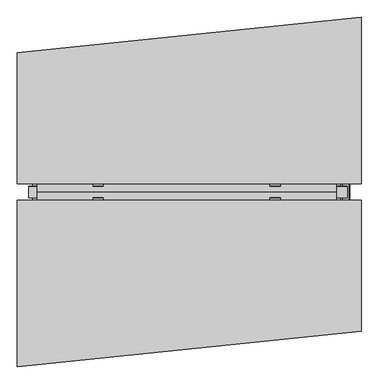
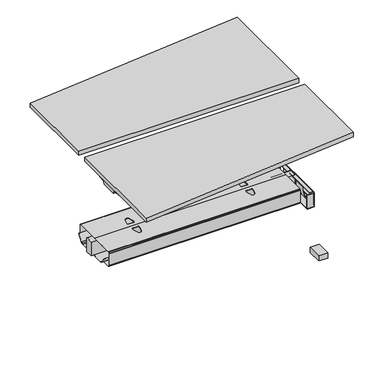
"""IFC4 building model written with IfcOpenShell, lengths in millimetres: furniture geometry."""

from ifc_helpers import new_model, si_unit, point, frame, frame_2d, origin, place, context, project, spatial, polyline, circle_curve, ellipse_curve, trimmed, segment, composite_curve, outline, extrude, faceted_brep, source, transform, mapped, element, save
from ifc_brep_helpers import plane_surface, cylinder_surface, revolved_surface, advanced_brep


def furniture_b8cb9486(model_context):
    return source(origin(), model_context, "Body", "SolidModel", [
        extrude(outline(polyline([(692.4505912, 639.3704277), (692.4505912, 627.2010571), (647.4824058, 627.2010571), (647.4824058, 639.3704277), (692.4505912, 639.3704277)])), frame((0.0, 0.0, 329.7517063), z_axis=(0.0, 0.0, 1.0), x_axis=(1.0, 0.0, 0.0)), (0.0, 0.0, 1.0), 2.6568509),
        extrude(outline(polyline([(666.5324058, 557.0887375), (647.4824058, 592.5319047), (647.4824058, 639.3704277), (692.4505912, 639.3704277), (692.4505912, 627.4425925), (666.5324058, 627.4425925), (666.5324058, 557.0887375)])), frame((0.0, 0.0, 428.6948675), z_axis=(0.0, 0.0, 1.0), x_axis=(1.0, 0.0, 0.0)), (0.0, 0.0, 1.0), 2.6568509),
        extrude(outline(polyline([(692.4505912, 170.9160479), (692.4505912, 158.9882127), (647.4824058, 158.9882127), (647.4824058, 170.9160479), (692.4505912, 170.9160479)])), frame((0.0, 0.0, 329.7517063), z_axis=(0.0, 0.0, 1.0), x_axis=(1.0, 0.0, 0.0)), (0.0, 0.0, 1.0), 2.6568509),
        extrude(outline(polyline([(692.4505912, 165.0842069), (692.4505912, 158.9882127), (647.4824058, 158.9882127), (647.4824058, 165.0842069), (692.4505912, 165.0842069)])), frame((0.0, 0.0, 332.4085572), z_axis=(0.0, 0.0, 1.0), x_axis=(1.0, 0.0, 0.0)), (0.0, 0.0, 1.0), 96.2863103),
        extrude(outline(polyline([(666.5324058, 241.2699029), (666.5324058, 170.9160479), (692.4505912, 170.9160479), (692.4505912, 158.9882127), (647.4824058, 158.9882127), (647.4824058, 205.8267357), (666.5324058, 241.2699029)])), frame((0.0, 0.0, 428.6948675), z_axis=(0.0, 0.0, 1.0), x_axis=(1.0, 0.0, 0.0)), (0.0, 0.0, 1.0), 2.6568509),
        extrude(outline(composite_curve([segment(polyline([(692.5018643, 165.0842069), (647.4824058, 165.0842069), (647.4824058, 167.7418174), (692.4320682, 167.7418174)]), True, "CONTINUOUS"), segment(trimmed(circle_curve(frame_2d((692.5019303, 170.9160843)), 3.1750357), [point((692.4320682, 167.7418174))], [point((695.676966, 170.9160479))], True, "CARTESIAN"), True, "CONTINUOUS"), segment(polyline([(695.676966, 170.9160479), (698.3337054, 170.9160479)]), True, "CONTINUOUS"), segment(trimmed(circle_curve(frame_2d((692.5018643, 170.9160479)), 5.8318411), [point((698.3337054, 170.9160479))], [point((692.5018643, 165.0842069))], False, "CARTESIAN"), True, "CONTINUOUS")], self_intersect=False)), frame((0.0, 0.0, 337.371699), z_axis=(0.0, 0.0, 1.0), x_axis=(1.0, 0.0, 0.0)), (0.0, 0.0, 1.0), 87.8941627),
        extrude(outline(polyline([(342.9173325, 425.2658616), (337.0354481, 421.6463878), (337.0354481, 416.1853839), (341.0613469, 412.1594669), (457.0505017, 412.1594669), (461.0764369, 416.1853839), (461.0764369, 421.6463878), (454.0472738, 425.9718869), (627.4425766, 425.9718869), (627.4425766, 333.9274688), (170.9160479, 333.9274688), (170.9160479, 425.2658616), (342.9173325, 425.2658616)]), holes=[polyline([(233.9635599, 355.1517184), (235.6650368, 348.8017063), (240.3135539, 344.1531891), (246.663566, 342.4517305), (265.713566, 342.4517305), (272.0635599, 344.1531891), (276.7120862, 348.8017063), (278.413563, 355.1517184), (278.413563, 393.2517184), (276.7120862, 399.6017305), (272.0635599, 404.2502476), (265.713566, 405.9517063), (246.663566, 405.9517063), (240.3135539, 404.2502476), (235.6650368, 399.6017305), (233.9635599, 393.2517184), (233.9635599, 355.1517184)]), polyline([(424.4559432, 341.1336423), (424.4559432, 392.426696), (423.9200452, 394.4267193), (422.4559432, 395.8908015), (420.4559432, 396.4267063), (377.6345424, 396.4267063), (375.6345441, 395.8908015), (374.1704415, 394.4267193), (373.6345435, 392.426696), (373.6345435, 341.1336423), (374.1704415, 339.1336554), (375.6345441, 337.6695369), (377.6345424, 337.1336321), (420.4559432, 337.1336321), (422.4559432, 337.6695369), (423.9200452, 339.1336554), (424.4559432, 341.1336423)]), polyline([(564.1483295, 355.1517184), (564.1483295, 393.2517184), (562.4468527, 399.6017305), (557.7983356, 404.2502476), (551.4483235, 405.9517063), (532.3983235, 405.9517063), (526.0483295, 404.2502476), (521.3998033, 399.6017305), (519.6983265, 393.2517184), (519.6983265, 355.1517184), (521.3998033, 348.8017063), (526.0483295, 344.1531891), (532.3983235, 342.4517305), (551.4483235, 342.4517305), (557.7983356, 344.1531891), (562.4468527, 348.8017063), (564.1483295, 355.1517184)])]), frame((692.4505912, 0.0, 0.0), z_axis=(1.0, 0.0, 0.0), x_axis=(0.0, 1.0, 0.0)), (0.0, 0.0, 1.0), 3.2262996),
        faceted_brep([(638.3400259, 227.963817, 425.8310036), (638.3400259, 227.963817, 340.2751793), (638.3400259, 227.963817, 338.091367), (638.3400259, 228.9762009, 334.3130557), (638.3400259, 231.7467258, 331.542549), (638.3400259, 235.531324, 330.5284757), (638.3400259, 398.8377457, 330.5284757), (638.3400259, 562.8273164, 330.5284757), (638.3400259, 566.6119146, 331.542549), (638.3400259, 569.3824396, 334.3130557), (638.3400259, 570.3948234, 338.091367), (638.3400259, 570.3948234, 340.2751793), (638.3400259, 570.3948234, 425.8310036), (638.3400259, 569.4215919, 429.4631947), (638.3400259, 566.6102252, 432.3861267), (638.3400259, 562.825627, 433.4002), (638.3400259, 397.785447, 433.4002), (638.3400259, 235.5330134, 433.4002), (638.3400259, 231.7484152, 432.3861267), (638.3400259, 228.9370485, 429.4631947), (638.3400259, 235.5330134, 432.1810157), (638.3400259, 396.9389352, 432.1810157), (638.3400259, 562.825627, 432.1810157), (638.3400259, 566.000633, 431.3302682), (638.3400259, 568.3248916, 429.0059915), (638.3400259, 569.1756391, 425.8310036), (638.3400259, 569.1756391, 340.2751793), (638.3400259, 569.1756391, 338.0914349), (638.3400259, 568.326581, 334.9226842), (638.3400259, 566.0023225, 332.5984075), (638.3400259, 562.8273164, 331.74766), (638.3400259, 397.7786116, 331.74766), (638.3400259, 235.531324, 331.74766), (638.3400259, 232.3563179, 332.5984075), (638.3400259, 230.0320594, 334.9226842), (638.3400259, 229.1830013, 338.0914349), (638.3400259, 229.1830013, 340.2751793), (638.3400259, 229.1830013, 425.8310036), (638.3400259, 230.0337488, 429.0059915), (638.3400259, 232.3580074, 431.3302682), (-660.9408985, 227.963817, 425.8310036), (-660.9408985, 228.9370485, 429.4631947), (-660.9408985, 231.7484152, 432.3861267), (-660.9408985, 235.5330134, 433.4002), (-660.9408985, 397.785447, 433.4002), (-660.9408985, 562.825627, 433.4002), (-660.9408985, 566.6102252, 432.3861267), (-660.9408985, 569.4215919, 429.4631947), (-660.9408985, 570.3948234, 425.8310036), (-660.9408985, 570.3948234, 340.2751793), (-660.9408985, 570.3948234, 338.091367), (-660.9408985, 569.3824396, 334.3130557), (-660.9408985, 566.6119146, 331.542549), (-660.9408985, 562.8273164, 330.5284757), (-660.9408985, 398.8377457, 330.5284757), (-660.9408985, 235.531324, 330.5284757), (-660.9408985, 231.7467258, 331.542549), (-660.9408985, 228.9762009, 334.3130557), (-660.9408985, 227.963817, 338.091367), (-660.9408985, 227.963817, 340.2751793), (-660.9408985, 235.5330134, 432.1810157), (-660.9408985, 232.3580074, 431.3302682), (-660.9408985, 230.0337488, 429.0059915), (-660.9408985, 229.1830013, 425.8310036), (-660.9408985, 229.1830013, 340.2751793), (-660.9408985, 229.1830013, 338.0914349), (-660.9408985, 230.0320594, 334.9226842), (-660.9408985, 232.3563179, 332.5984075), (-660.9408985, 235.531324, 331.74766), (-660.9408985, 397.7786116, 331.74766), (-660.9408985, 562.8273164, 331.74766), (-660.9408985, 566.0023225, 332.5984075), (-660.9408985, 568.326581, 334.9226842), (-660.9408985, 569.1756391, 338.0914349), (-660.9408985, 569.1756391, 340.2751793), (-660.9408985, 569.1756391, 425.8310036), (-660.9408985, 568.3248916, 429.0059915), (-660.9408985, 566.000633, 431.3302682), (-660.9408985, 562.825627, 432.1810157), (-660.9408985, 396.9389352, 432.1810157), (-419.4047758, 360.9565261, 432.1810157), (-410.7451218, 328.5218157, 432.1810157), (-408.3303984, 323.3434246, 432.1810157), (-403.8899754, 319.7476409, 432.1810157), (-398.3226676, 318.4623267, 432.1810157), (-396.036917, 318.4623267, 432.1810157), (-390.4696093, 319.7476409, 432.1810157), (-386.0291863, 323.3434246, 432.1810157), (-383.6144421, 328.5218604, 432.1810157), (-374.9548, 360.9565261, 432.1810157), (-374.9548, 373.6565253, 432.1810157), (-419.4047758, 373.6565253, 432.1810157), (395.1587307, 360.9565261, 432.1810157), (395.1587307, 373.6565253, 432.1810157), (350.7087549, 373.6565253, 432.1810157), (350.7087549, 360.9565261, 432.1810157), (359.368397, 328.5218604, 432.1810157), (361.7831412, 323.3434246, 432.1810157), (366.2235642, 319.7476409, 432.1810157), (371.790872, 318.4623267, 432.1810157), (374.0766226, 318.4623267, 432.1810157), (379.6439303, 319.7476409, 432.1810157), (384.0843533, 323.3434246, 432.1810157), (386.4990767, 328.5218157, 432.1810157), (-410.7451218, 328.5218157, 433.4002), (-419.4047758, 360.9565261, 433.4002), (-419.4047758, 373.6565253, 433.4002), (-374.9548, 373.6565253, 433.4002), (-374.9548, 360.9565261, 433.4002), (-383.6144421, 328.5218604, 433.4002), (-386.0291863, 323.3434246, 433.4002), (-390.4696093, 319.7476409, 433.4002), (-396.036917, 318.4623267, 433.4002), (-398.3226676, 318.4623267, 433.4002), (-403.8899754, 319.7476409, 433.4002), (-408.3303984, 323.3434246, 433.4002), (395.1587307, 373.6565253, 433.4002), (395.1587307, 360.9565261, 433.4002), (386.4990767, 328.5218157, 433.4002), (384.0843533, 323.3434246, 433.4002), (379.6439303, 319.7476409, 433.4002), (374.0766226, 318.4623267, 433.4002), (371.790872, 318.4623267, 433.4002), (366.2235642, 319.7476409, 433.4002), (361.7831412, 323.3434246, 433.4002), (359.368397, 328.5218604, 433.4002), (350.7087549, 360.9565261, 433.4002), (350.7087549, 373.6565253, 433.4002), (-419.4047758, 424.7021151, 433.4002), (-419.4047758, 437.4021143, 433.4002), (-410.7451218, 469.8368247, 433.4002), (-408.3303984, 475.0152158, 433.4002), (-403.8899754, 478.6109995, 433.4002), (-398.3226676, 479.8963137, 433.4002), (-396.036917, 479.8963137, 433.4002), (-390.4696093, 478.6109995, 433.4002), (-386.0291863, 475.0152158, 433.4002), (-383.6144421, 469.83678, 433.4002), (-374.9548, 437.4021143, 433.4002), (-374.9548, 424.7021151, 433.4002), (386.4990767, 469.8368247, 433.4002), (395.1587307, 437.4021143, 433.4002), (395.1587307, 424.7021151, 433.4002), (350.7087549, 424.7021151, 433.4002), (350.7087549, 437.4021143, 433.4002), (359.368397, 469.83678, 433.4002), (361.7831412, 475.0152158, 433.4002), (366.2235642, 478.6109995, 433.4002), (371.790872, 479.8963137, 433.4002), (374.0766226, 479.8963137, 433.4002), (379.6439303, 478.6109995, 433.4002), (384.0843533, 475.0152158, 433.4002), (-419.4047758, 437.4021143, 432.1810157), (-419.4047758, 424.7021151, 432.1810157), (-374.9548, 424.7021151, 432.1810157), (-374.9548, 437.4021143, 432.1810157), (-383.6144421, 469.83678, 432.1810157), (-386.0291863, 475.0152158, 432.1810157), (-390.4696093, 478.6109995, 432.1810157), (-396.036917, 479.8963137, 432.1810157), (-398.3226676, 479.8963137, 432.1810157), (-403.8899754, 478.6109995, 432.1810157), (-408.3303984, 475.0152158, 432.1810157), (-410.7451218, 469.8368247, 432.1810157), (395.1587307, 437.4021143, 432.1810157), (386.4990767, 469.8368247, 432.1810157), (384.0843533, 475.0152158, 432.1810157), (379.6439303, 478.6109995, 432.1810157), (374.0766226, 479.8963137, 432.1810157), (371.790872, 479.8963137, 432.1810157), (366.2235642, 478.6109995, 432.1810157), (361.7831412, 475.0152158, 432.1810157), (359.368397, 469.83678, 432.1810157), (350.7087549, 437.4021143, 432.1810157), (350.7087549, 424.7021151, 432.1810157), (395.1587307, 424.7021151, 432.1810157)], [[[0, 1, 2, 3, 4, 5, 6, 7, 8, 9, 10, 11, 12, 13, 14, 15, 16, 17, 18, 19], [20, 21, 22, 23, 24, 25, 26, 27, 28, 29, 30, 31, 32, 33, 34, 35, 36, 37, 38, 39]], [[40, 41, 42, 43, 44, 45, 46, 47, 48, 49, 50, 51, 52, 53, 54, 55, 56, 57, 58, 59], [60, 61, 62, 63, 64, 65, 66, 67, 68, 69, 70, 71, 72, 73, 74, 75, 76, 77, 78, 79]], [[37, 36, 64, 63]], [[38, 37, 63, 62]], [[39, 38, 62, 61]], [[20, 39, 61, 60]], [[21, 20, 60, 79], [80, 81, 82, 83, 84, 85, 86, 87, 88, 89, 90, 91], [92, 93, 94, 95, 96, 97, 98, 99, 100, 101, 102, 103]], [[17, 16, 44, 43], [104, 105, 106, 107, 108, 109, 110, 111, 112, 113, 114, 115], [116, 117, 118, 119, 120, 121, 122, 123, 124, 125, 126, 127]], [[18, 17, 43, 42]], [[19, 18, 42, 41]], [[0, 19, 41, 40]], [[1, 0, 40, 59]], [[2, 1, 59, 58]], [[3, 2, 58, 57]], [[4, 3, 57, 56]], [[5, 4, 56, 55]], [[6, 5, 55, 54]], [[7, 6, 54, 53]], [[8, 7, 53, 52]], [[9, 8, 52, 51]], [[10, 9, 51, 50]], [[11, 10, 50, 49]], [[12, 11, 49, 48]], [[13, 12, 48, 47]], [[14, 13, 47, 46]], [[15, 14, 46, 45]], [[16, 15, 45, 44], [128, 129, 130, 131, 132, 133, 134, 135, 136, 137, 138, 139], [140, 141, 142, 143, 144, 145, 146, 147, 148, 149, 150, 151]], [[22, 21, 79, 78], [152, 153, 154, 155, 156, 157, 158, 159, 160, 161, 162, 163], [164, 165, 166, 167, 168, 169, 170, 171, 172, 173, 174, 175]], [[23, 22, 78, 77]], [[24, 23, 77, 76]], [[25, 24, 76, 75]], [[26, 25, 75, 74]], [[27, 26, 74, 73]], [[28, 27, 73, 72]], [[29, 28, 72, 71]], [[30, 29, 71, 70]], [[31, 30, 70, 69]], [[32, 31, 69, 68]], [[33, 32, 68, 67]], [[34, 33, 67, 66]], [[35, 34, 66, 65]], [[36, 35, 65, 64]], [[80, 105, 104, 81]], [[81, 104, 115, 82]], [[82, 115, 114, 83]], [[83, 114, 113, 84]], [[84, 113, 112, 85]], [[85, 112, 111, 86]], [[86, 111, 110, 87]], [[87, 110, 109, 88]], [[88, 109, 108, 89]], [[89, 108, 107, 90]], [[90, 107, 106, 91]], [[105, 80, 91, 106]], [[92, 117, 116, 93]], [[93, 116, 127, 94]], [[94, 127, 126, 95]], [[95, 126, 125, 96]], [[96, 125, 124, 97]], [[97, 124, 123, 98]], [[98, 123, 122, 99]], [[99, 122, 121, 100]], [[100, 121, 120, 101]], [[101, 120, 119, 102]], [[102, 119, 118, 103]], [[117, 92, 103, 118]], [[152, 129, 128, 153]], [[153, 128, 139, 154]], [[154, 139, 138, 155]], [[155, 138, 137, 156]], [[156, 137, 136, 157]], [[157, 136, 135, 158]], [[158, 135, 134, 159]], [[159, 134, 133, 160]], [[160, 133, 132, 161]], [[161, 132, 131, 162]], [[162, 131, 130, 163]], [[129, 152, 163, 130]], [[164, 141, 140, 165]], [[165, 140, 151, 166]], [[166, 151, 150, 167]], [[167, 150, 149, 168]], [[168, 149, 148, 169]], [[169, 148, 147, 170]], [[170, 147, 146, 171]], [[171, 146, 145, 172]], [[172, 145, 144, 173]], [[173, 144, 143, 174]], [[174, 143, 142, 175]], [[141, 164, 175, 142]]]),
        extrude(outline(composite_curve([segment(trimmed(circle_curve(frame_2d((422.8428694, 431.8444538)), 1.5557462), [point((422.8428694, 433.4002))], [point((424.3986156, 431.8444538))], False, "CARTESIAN"), True, "CONTINUOUS"), segment(polyline([(424.3986156, 431.8444538), (424.3986156, 333.9274688), (374.3606156, 333.9274688), (374.3606156, 433.4002), (422.8428694, 433.4002)]), True, "CONTINUOUS")], self_intersect=False)), frame((-698.3783882, 0.0, 0.0), z_axis=(1.0, 0.0, 0.0), x_axis=(0.0, 1.0, 0.0)), (0.0, 0.0, 1.0), 1384.4789923),
        extrude(outline(composite_curve([segment(polyline([(431.3517184, 692.4505912), (431.3517184, 666.5324058), (428.6948675, 666.5324058), (428.6948675, 692.2062975)]), True, "CONTINUOUS"), segment(trimmed(circle_curve(frame_2d((425.2452738, 692.2062975)), 3.4495937), [point((428.6948675, 692.2062975))], [point((425.2658616, 695.6558297))], True, "CARTESIAN"), True, "CONTINUOUS"), segment(polyline([(425.2658616, 695.6558297), (425.2658616, 698.2823549)]), True, "CONTINUOUS"), segment(trimmed(circle_curve(frame_2d((425.1720964, 692.093112)), 6.1899531), [point((425.2658616, 698.2823549))], [point((431.3517184, 692.4505912))], False, "CARTESIAN"), True, "CONTINUOUS")], self_intersect=False)), frame((0.0, 170.9160479, 0.0), z_axis=(0.0, 1.0, 0.0), x_axis=(0.0, 0.0, 1.0)), (0.0, 0.0, 1.0), 468.4543798),
        extrude(outline(composite_curve([segment(trimmed(circle_curve(frame_2d((691.6017284, 627.2010571)), 5.8318411), [point((691.6017284, 633.0328981))], [point((697.4335695, 627.2010571))], False, "CARTESIAN"), True, "CONTINUOUS"), segment(polyline([(697.4335695, 627.2010571), (694.7768301, 627.2010571)]), True, "CONTINUOUS"), segment(trimmed(circle_curve(frame_2d((691.6017944, 627.2010206)), 3.1750357), [point((694.7768301, 627.2010571))], [point((691.5319323, 630.3752876))], True, "CARTESIAN"), True, "CONTINUOUS"), segment(polyline([(691.5319323, 630.3752876), (647.4824058, 630.3752876), (647.4824058, 633.0328981), (691.6017284, 633.0328981)]), True, "CONTINUOUS")], self_intersect=False)), frame((0.0, 0.0, 337.371699), z_axis=(0.0, 0.0, 1.0), x_axis=(1.0, 0.0, 0.0)), (0.0, 0.0, 1.0), 87.8941627),
        extrude(outline(composite_curve([segment(trimmed(circle_curve(frame_2d((335.5834916, 692.5019564)), 3.1749345), [point((335.5835451, 695.6768908))], [point((332.4090868, 692.443965))], True, "CARTESIAN"), True, "CONTINUOUS"), segment(polyline([(332.4090868, 692.443965), (332.4090868, 647.4824058), (329.7517063, 647.4824058), (329.7517063, 692.5017915)]), True, "CONTINUOUS"), segment(trimmed(circle_curve(frame_2d((335.5835451, 692.5017915)), 5.8318388), [point((329.7517063, 692.5017915))], [point((335.5835451, 698.3336303))], False, "CARTESIAN"), True, "CONTINUOUS"), segment(polyline([(335.5835451, 698.3336303), (335.5835451, 695.6768908)]), True, "CONTINUOUS")], self_intersect=False)), frame((0.0, 170.9160479, 0.0), z_axis=(0.0, 1.0, 0.0), x_axis=(0.0, 0.0, 1.0)), (0.0, 0.0, 1.0), 456.2850092),
        extrude(outline(polyline([(247.9512827, 383.2085327), (249.1812376, 384.0998213), (279.7035642, 341.9798116), (286.6253346, 336.0569173), (295.8489895, 333.9274688), (417.8747239, 333.9274688), (502.5096509, 333.9274688), (511.7333058, 336.0569173), (518.6550762, 341.9798116), (549.1774028, 384.0998213), (550.4073577, 383.2085327), (519.8850248, 341.0885143), (512.423716, 334.7039476), (502.7693005, 332.4750501), (402.1125576, 332.4750501), (295.5893399, 332.4750501), (285.9349244, 334.7039476), (278.4736156, 341.0885143), (247.9512827, 383.2085327)])), frame((-681.3524342, 0.0, 0.0), z_axis=(1.0, 0.0, 0.0), x_axis=(0.0, 1.0, 0.0)), (0.0, 0.0, 1.0), 1338.4018538),
        extrude(outline(polyline([(747.776, 434.1875871), (-747.776, 434.1875871), (-747.776, 1004.9255871), (747.776, 1157.3256446), (747.776, 434.1875871)])), frame((0.0, 0.0, 1037.209), z_axis=(0.0, 0.0, 1.0), x_axis=(1.0, 0.0, 0.0)), (0.0, 0.0, 1.0), 29.591),
        advanced_brep(
        [(696.976, 127.2221653, 10.2361894), (696.976, 141.2419153, 10.2361894), (696.976, 140.8547401, 8.7946116), (696.976, 127.6093405, 8.7946116), (696.976, 134.2320403, 10.2361894), (696.976, 113.2751519, 0.0), (696.976, 155.1889286, 0.0), (696.976, 134.2320403, 0.0), (696.976, 111.7314216, 1.5436985), (696.976, 156.732659, 1.5436985), (696.976, 111.7314763, 4.1072626), (696.976, 156.7326043, 4.1072626), (696.976, 113.2713167, 5.9174378), (696.976, 155.1927639, 5.9174378)],
        [
            (0, 1, circle_curve(frame((696.976, 134.2320403, 10.2361894), z_axis=(0.0, 0.0, -1.0), x_axis=(0.0, 1.0, 0.0)), 7.009875)),
            (1, 2),
            (2, 3, circle_curve(frame((696.976, 134.2320403, 8.7946116), z_axis=(0.0, 0.0, 1.0), x_axis=(0.0, 1.0, 0.0)), 6.6226998)),
            (3, 0),
            (1, 0, circle_curve(frame((696.976, 134.2320403, 10.2361894), z_axis=(0.0, 0.0, -1.0), x_axis=(0.0, 1.0, 0.0)), 7.009875)),
            (3, 2, circle_curve(frame((696.976, 134.2320403, 8.7946116), z_axis=(0.0, 0.0, 1.0), x_axis=(0.0, 1.0, 0.0)), 6.6226998)),
            (4, 1),
            (0, 4),
            (5, 6, circle_curve(frame((696.976, 134.2320403, 0.0), z_axis=(0.0, 0.0, -1.0), x_axis=(0.0, 1.0, 0.0)), 20.9568884)),
            (6, 7),
            (7, 5),
            (6, 5, circle_curve(frame((696.976, 134.2320403, 0.0), z_axis=(0.0, 0.0, -1.0), x_axis=(0.0, 1.0, 0.0)), 20.9568884)),
            (8, 9, circle_curve(frame((696.976, 134.2320403, 1.5436985), z_axis=(0.0, 0.0, -1.0), x_axis=(0.0, 1.0, 0.0)), 22.5006187)),
            (9, 6),
            (5, 8),
            (9, 8, circle_curve(frame((696.976, 134.2320403, 1.5436985), z_axis=(0.0, 0.0, -1.0), x_axis=(0.0, 1.0, 0.0)), 22.5006187)),
            (10, 11, circle_curve(frame((696.976, 134.2320403, 4.1072626), z_axis=(0.0, 0.0, -1.0), x_axis=(0.0, 1.0, 0.0)), 22.500564)),
            (11, 9),
            (8, 10),
            (11, 10, circle_curve(frame((696.976, 134.2320403, 4.1072626), z_axis=(0.0, 0.0, -1.0), x_axis=(0.0, 1.0, 0.0)), 22.500564)),
            (12, 13, circle_curve(frame((696.976, 134.2320403, 5.9174378), z_axis=(0.0, 0.0, -1.0), x_axis=(0.0, 1.0, 0.0)), 20.9607236)),
            (13, 11),
            (10, 12),
            (13, 12, circle_curve(frame((696.976, 134.2320403, 5.9174378), z_axis=(0.0, 0.0, -1.0), x_axis=(0.0, 1.0, 0.0)), 20.9607236)),
            (2, 13),
            (12, 3),
        ],
        [
            revolved_surface(polyline([(696.976, 140.8547401, 8.7946116), (696.976, 141.2419153, 10.2361894)]), (696.976, 134.2320403, 0.0), (0.0, 0.0, 1.0)),
            plane_surface(frame((696.976, 134.2320403, 10.2361894), z_axis=(0.0, 0.0, 1.0), x_axis=(0.0, 1.0, 0.0))),
            plane_surface(frame((696.976, 134.2320403, 0.0), z_axis=(0.0, 0.0, -1.0), x_axis=(0.0, 1.0, 0.0))),
            revolved_surface(polyline([(696.976, 155.1889286, 0.0), (696.976, 156.732659, 1.5436985)]), (696.976, 134.2320403, 0.0), (0.0, 0.0, 1.0)),
            cylinder_surface(frame((696.976, 134.2320403, 0.0), z_axis=(0.0, 0.0, 1.0), x_axis=(0.0, 1.0, 0.0)), 22.500564),
            revolved_surface(polyline([(696.976, 156.7327498, 4.1072626), (696.976, 155.1927639, 5.9174378)]), (696.976, 134.2320403, 0.0), (0.0, 0.0, 1.0)),
            revolved_surface(polyline([(696.976, 155.1927639, 5.9174378), (696.976, 140.8547401, 8.7946116)]), (696.976, 134.2320403, 0.0), (0.0, 0.0, 1.0)),
        ],
        [
            (0, [[1, 2, 3, 4]]),
            (0, [[5, -4, 6, -2]]),
            (1, [[7, -1, 8]]),
            (1, [[-8, -5, -7]]),
            (2, [[9, 10, 11]]),
            (2, [[12, -11, -10]]),
            (3, [[13, 14, -9, 15]]),
            (3, [[16, -15, -12, -14]]),
            (4, [[17, 18, -13, 19]]),
            (4, [[20, -19, -16, -18]]),
            (5, [[21, 22, -17, 23]]),
            (5, [[24, -23, -20, -22]]),
            (6, [[-3, 25, -21, 26]]),
            (6, [[-6, -26, -24, -25]]),
        ],
    ),
        extrude(outline(polyline([(667.0675, 59.6052169), (667.0675, 158.9882127), (726.8845, 158.9882127), (726.8845, 59.6052169), (667.0675, 59.6052169)])), frame((0.0, 0.0, 10.2361894), z_axis=(0.0, 0.0, 1.0), x_axis=(1.0, 0.0, 0.0)), (0.0, 0.0, 1.0), 37.8638679),
        extrude(outline(polyline([(747.776, 364.3376128), (747.776, -206.4003872), (-747.776, -358.8004151), (-747.776, 364.3376128), (747.776, 364.3376128)])), frame((0.0, 0.0, 1037.209), z_axis=(0.0, 0.0, 1.0), x_axis=(1.0, 0.0, 0.0)), (0.0, 0.0, 1.0), 29.591),
        advanced_brep(
        [(-731.4406297, 162.7292702, 988.7915733), (-565.7122138, 162.7292702, 988.7915733), (-580.0924181, 160.5008169, 986.1442785), (-728.9518591, 160.5008169, 986.1442785), (-731.6625278, 162.738256, 989.0276054), (-734.0619089, 163.3822827, 1005.9443054), (-551.2773962, 163.3822827, 1005.9443054), (-551.2773962, 163.0342965, 996.8037253), (-554.1075093, 162.9531058, 994.6710821), (-554.2501644, 162.8754397, 992.6310191), (-734.9185362, 168.8493181, 1011.9839076), (-551.2773962, 168.8493181, 1011.9839076), (-737.4393767, 283.4205225, 1029.7569507), (-673.2243442, 283.4205225, 1029.7569507), (-551.2773962, 202.6158, 1017.2219877), (-737.5128152, 287.1965275, 1030.2747243), (-678.9229255, 287.1965275, 1030.2747243), (-738.1871296, 288.7067839, 1035.0289399), (-736.4021288, 286.1298888, 1037.209), (-677.3132011, 286.1298888, 1037.209), (-738.1871296, -70.2667839, 1035.0289399), (-737.5128152, -68.7565275, 1030.2747243), (-678.9229255, -68.7565275, 1030.2747243), (-677.3132011, -67.6898888, 1037.209), (-736.4021288, -67.6898888, 1037.209), (-737.4393767, -64.9805225, 1029.7569507), (-673.2243442, -64.9805225, 1029.7569507), (-734.9185362, 49.5906819, 1011.9839076), (-551.2773962, 49.5906819, 1011.9839076), (-551.2773962, 15.8242, 1017.2219877), (-734.0619089, 55.0577173, 1005.9443054), (-551.2773962, 55.0577173, 1005.9443054), (-731.6625278, 55.701744, 989.0276054), (-731.4406297, 55.7107298, 988.7915733), (-565.7122138, 55.7107298, 988.7915733), (-554.2501644, 55.5645603, 992.6310191), (-554.1075093, 55.4868942, 994.6710821), (-551.2773962, 55.4057035, 996.8037253), (-728.9518591, 57.9391831, 986.1442785), (-580.0924181, 57.9391831, 986.1442785), (-551.2773962, 15.8242, 1037.209), (-551.2773962, 202.6158, 1037.209)],
        [
            (0, 1),
            (1, 2, ellipse_curve(frame((-589.9936465, 239.7670009, 1080.3086722), z_axis=(0.0, 0.7650318638532662, -0.6439924279750482), x_axis=(0.0, 0.6439924279750482, 0.7650318638532662)), 123.7641411, 94.6835116)),
            (2, 3),
            (3, 0),
            (0, 4),
            (4, 5),
            (5, 6),
            (6, 7),
            (7, 8),
            (8, 9),
            (9, 1, ellipse_curve(frame((-589.9936465, 166.2133686, 1080.3086722), z_axis=(0.0, 0.999276106683639, -0.03804290487316255), x_axis=(0.0, 0.03804290487316397, 0.999276106683639)), 94.752102, 94.6835116)),
            (5, 10, ellipse_curve(frame((-734.0119691, 169.8408409, 1005.5922075), z_axis=(-0.9900906714849619, 0.0, -0.1404295632637843), x_axis=(-0.1404295632637846, 0.0, 0.9900906714849619)), 6.5328852, 6.4681487)),
            (10, 11),
            (11, 6, circle_curve(frame((-551.2773962, 169.8408409, 1005.5922075), z_axis=(1.0, 0.0, 0.0), x_axis=(0.0, 1.0, 0.0)), 6.4681487)),
            (10, 12),
            (12, 13),
            (13, 14),
            (14, 11),
            (12, 15),
            (15, 16),
            (16, 13),
            (15, 17, ellipse_curve(frame((-737.9730772, 285.2194111, 1033.5197755), z_axis=(0.9900906714849619, 0.0, 0.1404295632637843), x_axis=(0.1404295632637846, 0.0, -0.9900906714849619)), 3.8379455, 3.7999141)),
            (17, 18, ellipse_curve(frame((-739.422811, 285.2194111, 1033.5197755), z_axis=(0.7737284588432124, 0.0, -0.6335173809581766), x_axis=(0.6335173809581766, 0.0, 0.7737284588432124)), 4.9111727, 3.7999141)),
            (18, 19),
            (19, 16, ellipse_curve(frame((-675.939148, 285.2194111, 1033.5197755), z_axis=(-0.5523637579768881, -0.833603190297188, 0.0), x_axis=(0.833603190297188, -0.5523637579768881, 0.0)), 6.8793689, 3.7999141)),
            (20, 21, ellipse_curve(frame((-737.9730772, -66.7794111, 1033.5197755), z_axis=(0.9900906714849619, 0.0, 0.1404295632637843), x_axis=(0.1404295632637846, 0.0, -0.9900906714849619)), 3.8379455, 3.7999141)),
            (21, 22),
            (22, 23, ellipse_curve(frame((-675.939148, -66.7794111, 1033.5197755), z_axis=(-0.5523637579749648, 0.8336031902984624, 0.0), x_axis=(0.8336031902984624, 0.5523637579749648, 0.0)), 6.8793689, 3.7999141)),
            (23, 24),
            (24, 20, ellipse_curve(frame((-739.422811, -66.7794111, 1033.5197755), z_axis=(0.7737284588432124, 0.0, -0.6335173809581766), x_axis=(0.6335173809581766, 0.0, 0.7737284588432124)), 4.9111727, 3.7999141)),
            (21, 25),
            (25, 26),
            (26, 22),
            (27, 28),
            (28, 29),
            (29, 26),
            (25, 27),
            (27, 30, ellipse_curve(frame((-734.0119691, 48.5991591, 1005.5922075), z_axis=(-0.9900906714849619, 0.0, -0.1404295632637843), x_axis=(-0.1404295632637846, 0.0, 0.9900906714849619)), 6.5328852, 6.4681487)),
            (30, 31),
            (31, 28, circle_curve(frame((-551.2773962, 48.5991591, 1005.5922075), z_axis=(1.0, 0.0, 0.0), x_axis=(0.0, 1.0, 0.0)), 6.4681487)),
            (30, 32),
            (32, 33),
            (33, 34),
            (34, 35, ellipse_curve(frame((-589.9936465, 52.2266314, 1080.3086722), z_axis=(0.0, -0.9992761066836363, -0.03804290487323539), x_axis=(0.0, 0.03804290487323121, -0.9992761066836364)), 94.752102, 94.6835116)),
            (35, 36),
            (36, 37),
            (37, 31),
            (33, 38),
            (38, 39),
            (39, 34, ellipse_curve(frame((-589.9936465, -21.3270009, 1080.3086722), z_axis=(0.0, -0.7650318638534733, -0.643992427974802), x_axis=(0.0, 0.643992427974802, -0.7650318638534732)), 123.7641411, 94.6835116)),
            (4, 32),
            (20, 17),
            (24, 18),
            (23, 40),
            (40, 41),
            (41, 19),
            (37, 7),
            (14, 41),
            (40, 29),
            (36, 8),
            (35, 9),
            (39, 2),
            (38, 3),
        ],
        [
            plane_surface(frame((-754.4773962, 160.5008169, 986.1442785), z_axis=(0.0, 0.7650318638532662, -0.6439924279750482), x_axis=(1.0, 0.0, 0.0))),
            plane_surface(frame((-754.4773962, 162.7292702, 988.7915733), z_axis=(0.0, 0.999276106683639, -0.03804290487316255), x_axis=(1.0, 0.0, 0.0))),
            revolved_surface(polyline([(-734.9293793154884, 176.3089896, 1005.5922075), (-551.2773962, 176.3089896, 1005.5922075)]), (-754.4773962, 169.8408409, 1005.5922075), (-1.0, 0.0, 0.0)),
            plane_surface(frame((-754.4773962, 168.8493181, 1011.9839076), z_axis=(0.0, 0.153293135871396, -0.9881807600306302), x_axis=(1.0, 0.0, 0.0))),
            plane_surface(frame((-754.4773962, 283.4205225, 1029.7569507), z_axis=(0.0, 0.13585085469026903, -0.9907292996979162), x_axis=(1.0, 0.0, 0.0))),
            cylinder_surface(frame((-754.4773962, 285.2194111, 1033.5197755), z_axis=(1.0, 0.0, 0.0), x_axis=(0.0, 1.0, 0.0)), 3.7999141),
            cylinder_surface(frame((-754.4773962, -66.7794111, 1033.5197755), z_axis=(1.0, 0.0, 0.0), x_axis=(0.0, 1.0, 0.0)), 3.7999141),
            plane_surface(frame((-754.4773962, -68.7565275, 1030.2747243), z_axis=(0.0, -0.13585085468791205, -0.9907292996982394), x_axis=(1.0, 0.0, 0.0))),
            plane_surface(frame((-754.4773962, -64.9805225, 1029.7569507), z_axis=(0.0, -0.1532931358714066, -0.9881807600306285), x_axis=(1.0, 0.0, 0.0))),
            revolved_surface(polyline([(-734.9293793154884, 55.0673078, 1005.5922075), (-551.2773962, 55.0673078, 1005.5922075)]), (-754.4773962, 48.5991591, 1005.5922075), (-1.0, 0.0, 0.0)),
            plane_surface(frame((-754.4773962, 55.0577173, 1005.9443054), z_axis=(0.0, -0.9992761066836363, -0.03804290487323539), x_axis=(1.0, 0.0, 0.0))),
            plane_surface(frame((-754.4773962, 55.7107298, 988.7915733), z_axis=(0.0, -0.7650318638534733, -0.643992427974802), x_axis=(1.0, 0.0, 0.0))),
            plane_surface(frame((-731.6625278, 299.72, 989.0276054), z_axis=(-0.9900906714849619, 0.0, -0.1404295632637843), x_axis=(0.0, -1.0, 0.0))),
            plane_surface(frame((-738.1871296, 299.72, 1035.0289399), z_axis=(-0.7737284588432124, 0.0, 0.6335173809581766), x_axis=(0.0, -1.0, 0.0))),
            plane_surface(frame((-736.4021288, 299.72, 1037.209), z_axis=(0.0, 0.0, 1.0), x_axis=(0.0, -1.0, 0.0))),
            plane_surface(frame((-551.2773962, 299.72, 1037.209), z_axis=(1.0, 0.0, 0.0), x_axis=(0.0, -1.0, 0.0))),
            plane_surface(frame((-551.2773962, 299.72, 996.8037253), z_axis=(0.6018150231516275, 0.0, -0.7986355100476099), x_axis=(0.0, -1.0, 0.0))),
            plane_surface(frame((-554.1075093, 299.72, 994.6710821), z_axis=(0.9975640502599642, 0.0, -0.06975647374212507), x_axis=(0.0, -1.0, 0.0))),
            cylinder_surface(frame((-589.9936465, 299.72, 1080.3086722), z_axis=(0.0, 1.0, 0.0), x_axis=(1.0, 0.0, 0.0)), 94.6835116),
            plane_surface(frame((-580.0924181, 299.72, 986.1442785), z_axis=(0.0, 0.0, -1.0), x_axis=(0.0, -1.0, 0.0))),
            plane_surface(frame((-728.9518591, 299.72, 986.1442785), z_axis=(-0.7285846064197382, 0.0, -0.684955817033621), x_axis=(0.0, -1.0, 0.0))),
            plane_surface(frame((-697.8228017, 299.72, 1037.209), z_axis=(0.5523637579768881, 0.833603190297188, 0.0), x_axis=(0.0, 0.0, -1.0))),
            plane_surface(frame((-551.2773962, 15.8242, 1037.209), z_axis=(0.5523637579749648, -0.8336031902984624, 0.0), x_axis=(0.0, 0.0, -1.0))),
        ],
        [
            (0, [[1, 2, 3, 4]]),
            (1, [[-1, 5, 6, 7, 8, 9, 10, 11]]),
            (2, [[-7, 12, 13, 14]]),
            (3, [[-13, 15, 16, 17, 18]]),
            (4, [[19, 20, 21, -16]]),
            (5, [[22, 23, 24, 25, -20]]),
            (6, [[26, 27, 28, 29, 30]]),
            (7, [[31, 32, 33, -27]]),
            (8, [[34, 35, 36, -32, 37]]),
            (9, [[-34, 38, 39, 40]]),
            (10, [[-39, 41, 42, 43, 44, 45, 46, 47]]),
            (11, [[-43, 48, 49, 50]]),
            (12, [[51, -41, -38, -37, -31, -26, 52, -22, -19, -15, -12, -6]]),
            (13, [[-52, -30, 53, -23]]),
            (14, [[-53, -29, 54, 55, 56, -24]]),
            (15, [[57, -8, -14, -18, 58, -55, 59, -35, -40, -47]]),
            (16, [[-57, -46, 60, -9]]),
            (17, [[-60, -45, 61, -10]]),
            (18, [[-61, -44, -50, 62, -2, -11]]),
            (19, [[-62, -49, 63, -3]]),
            (20, [[-51, -5, -4, -63, -48, -42]]),
            (21, [[-56, -58, -17, -21, -25]]),
            (22, [[-54, -28, -33, -36, -59]]),
        ],
    ),
        advanced_brep(
        [(565.7122138, 162.7292702, 988.7915733), (731.4406297, 162.7292702, 988.7915733), (728.9518591, 160.5008169, 986.1442785), (580.0924181, 160.5008169, 986.1442785), (554.2501644, 162.8754397, 992.6310191), (554.1075093, 162.9531058, 994.6710821), (551.4619573, 163.0290018, 996.6646485), (551.4619573, 163.3822827, 1005.9443054), (734.0619089, 163.3822827, 1005.9443054), (731.6625278, 162.738256, 989.0276054), (551.4619573, 168.8493181, 1011.9839076), (734.9185362, 168.8493181, 1011.9839076), (551.4619573, 202.6089953, 1017.2209321), (673.2570453, 283.4205225, 1029.7569507), (737.4393767, 283.4205225, 1029.7569507), (737.5128152, 287.1965275, 1030.2747243), (678.9480509, 287.1965275, 1030.2747243), (738.1871296, 288.7067839, 1035.0289399), (677.3404665, 286.1298888, 1037.209), (736.4021288, 286.1298888, 1037.209), (737.5128152, -68.7565275, 1030.2747243), (738.1871296, -70.2667839, 1035.0289399), (736.4021288, -67.6898888, 1037.209), (677.3404665, -67.6898888, 1037.209), (678.9480509, -68.7565275, 1030.2747243), (737.4393767, -64.9805225, 1029.7569507), (673.2570453, -64.9805225, 1029.7569507), (551.4619573, 49.5906819, 1011.9839076), (734.9185362, 49.5906819, 1011.9839076), (551.4619573, 15.8310047, 1017.2209321), (551.4619573, 55.0577173, 1005.9443054), (734.0619089, 55.0577173, 1005.9443054), (551.4619573, 55.4109982, 996.6646485), (554.1075093, 55.4868942, 994.6710821), (554.2501644, 55.5645603, 992.6310191), (565.7122138, 55.7107298, 988.7915733), (731.4406297, 55.7107298, 988.7915733), (731.6625278, 55.701744, 989.0276054), (580.0924181, 57.9391831, 986.1442785), (728.9518591, 57.9391831, 986.1442785), (551.4619573, 202.6089953, 1037.209), (551.4619573, 15.8310047, 1037.209)],
        [
            (0, 1),
            (1, 2),
            (2, 3),
            (3, 0, ellipse_curve(frame((589.9936465, 239.7670009, 1080.3086722), z_axis=(0.0, 0.7650318638532565, -0.6439924279750596), x_axis=(0.0, -0.6439924279750596, -0.7650318638532564)), 123.7641411, 94.6835116)),
            (0, 4, ellipse_curve(frame((589.9936465, 166.2133686, 1080.3086722), z_axis=(0.0, 0.9992761066836392, -0.03804290487315862), x_axis=(0.0, -0.03804290487315623, -0.9992761066836393)), 94.752102, 94.6835116)),
            (4, 5),
            (5, 6),
            (6, 7),
            (7, 8),
            (8, 9),
            (9, 1),
            (7, 10, circle_curve(frame((551.4619573, 169.8408409, 1005.5922075), z_axis=(-1.0, 0.0, 0.0), x_axis=(0.0, 1.0, 0.0)), 6.4681487)),
            (10, 11),
            (11, 8, ellipse_curve(frame((734.0119691, 169.8408409, 1005.5922075), z_axis=(0.9900906714849659, 0.0, -0.1404295632637567), x_axis=(-0.1404295632637562, 0.0, -0.9900906714849659)), 6.5328852, 6.4681487)),
            (10, 12),
            (12, 13),
            (13, 14),
            (14, 11),
            (15, 14),
            (13, 16),
            (16, 15),
            (17, 15, ellipse_curve(frame((737.9730772, 285.2194111, 1033.5197755), z_axis=(-0.9900906714849659, 0.0, 0.1404295632637567), x_axis=(0.1404295632637562, 0.0, 0.9900906714849659)), 3.8379455, 3.7999141)),
            (16, 18, ellipse_curve(frame((675.96824, 285.2194111, 1033.5197755), z_axis=(0.5528743936294658, -0.8332646067539714, 0.0), x_axis=(0.8332646067539713, 0.5528743936294658, 0.0)), 6.8730151, 3.7999141)),
            (18, 19),
            (19, 17, ellipse_curve(frame((739.422811, 285.2194111, 1033.5197755), z_axis=(-0.7737284588399557, 0.0, -0.633517380962154), x_axis=(0.6335173809621538, 0.0, -0.7737284588399556)), 4.9111727, 3.7999141)),
            (20, 21, ellipse_curve(frame((737.9730772, -66.7794111, 1033.5197755), z_axis=(-0.9900906714849659, 0.0, 0.1404295632637567), x_axis=(0.1404295632637562, 0.0, 0.9900906714849659)), 3.8379455, 3.7999141)),
            (21, 22, ellipse_curve(frame((739.422811, -66.7794111, 1033.5197755), z_axis=(-0.7737284588399557, 0.0, -0.633517380962154), x_axis=(0.6335173809621538, 0.0, -0.7737284588399556)), 4.9111727, 3.7999141)),
            (22, 23),
            (23, 24, ellipse_curve(frame((675.96824, -66.7794111, 1033.5197755), z_axis=(0.5528743936294437, 0.8332646067539861, 0.0), x_axis=(0.833264606753986, -0.5528743936294437, 0.0)), 6.8730151, 3.7999141)),
            (24, 20),
            (25, 20),
            (24, 26),
            (26, 25),
            (27, 28),
            (28, 25),
            (26, 29),
            (29, 27),
            (27, 30, circle_curve(frame((551.4619573, 48.5991591, 1005.5922075), z_axis=(-1.0, 0.0, 0.0), x_axis=(0.0, 1.0, 0.0)), 6.4681487)),
            (30, 31),
            (31, 28, ellipse_curve(frame((734.0119691, 48.5991591, 1005.5922075), z_axis=(0.9900906714849659, 0.0, -0.1404295632637567), x_axis=(-0.1404295632637562, 0.0, -0.9900906714849659)), 6.5328852, 6.4681487)),
            (30, 32),
            (32, 33),
            (33, 34),
            (34, 35, ellipse_curve(frame((589.9936465, 52.2266314, 1080.3086722), z_axis=(0.0, -0.9992761066836363, -0.03804290487323539), x_axis=(0.0, -0.03804290487323121, 0.9992761066836364)), 94.752102, 94.6835116)),
            (35, 36),
            (36, 37),
            (37, 31),
            (35, 38, ellipse_curve(frame((589.9936465, -21.3270009, 1080.3086722), z_axis=(0.0, -0.7650318638534733, -0.643992427974802), x_axis=(0.0, -0.643992427974802, 0.7650318638534732)), 123.7641411, 94.6835116)),
            (38, 39),
            (39, 36),
            (37, 9),
            (17, 21),
            (19, 22),
            (18, 40),
            (40, 41),
            (41, 23),
            (6, 32),
            (29, 41),
            (40, 12),
            (5, 33),
            (4, 34),
            (3, 38),
            (2, 39),
        ],
        [
            plane_surface(frame((551.4619573, 160.5008169, 986.1442785), z_axis=(0.0, 0.7650318638532565, -0.6439924279750596), x_axis=(1.0, 0.0, 0.0))),
            plane_surface(frame((551.4619573, 162.7292702, 988.7915733), z_axis=(0.0, 0.9992761066836392, -0.03804290487315862), x_axis=(1.0, 0.0, 0.0))),
            revolved_surface(polyline([(551.4619573, 176.3089896, 1005.5922075), (734.9293793154882, 176.3089896, 1005.5922075)]), (551.4619573, 169.8408409, 1005.5922075), (-1.0, 0.0, 0.0)),
            plane_surface(frame((551.4619573, 168.8493181, 1011.9839076), z_axis=(0.0, 0.15329313587140309, -0.988180760030629), x_axis=(1.0, 0.0, 0.0))),
            plane_surface(frame((551.4619573, 283.4205225, 1029.7569507), z_axis=(0.0, 0.1358508546900816, -0.9907292996979419), x_axis=(1.0, 0.0, 0.0))),
            cylinder_surface(frame((551.4619573, 285.2194111, 1033.5197755), z_axis=(1.0, 0.0, 0.0), x_axis=(0.0, 1.0, 0.0)), 3.7999141),
            cylinder_surface(frame((551.4619573, -66.7794111, 1033.5197755), z_axis=(1.0, 0.0, 0.0), x_axis=(0.0, 1.0, 0.0)), 3.7999141),
            plane_surface(frame((551.4619573, -68.7565275, 1030.2747243), z_axis=(0.0, -0.1358508546877776, -0.9907292996982578), x_axis=(1.0, 0.0, 0.0))),
            plane_surface(frame((551.4619573, -64.9805225, 1029.7569507), z_axis=(0.0, -0.15329313587141113, -0.9881807600306277), x_axis=(1.0, 0.0, 0.0))),
            revolved_surface(polyline([(551.4619573, 55.0673078, 1005.5922075), (734.9293793154882, 55.0673078, 1005.5922075)]), (551.4619573, 48.5991591, 1005.5922075), (-1.0, 0.0, 0.0)),
            plane_surface(frame((551.4619573, 55.0577173, 1005.9443054), z_axis=(0.0, -0.9992761066836363, -0.03804290487323539), x_axis=(1.0, 0.0, 0.0))),
            plane_surface(frame((551.4619573, 55.7107298, 988.7915733), z_axis=(0.0, -0.7650318638534733, -0.643992427974802), x_axis=(1.0, 0.0, 0.0))),
            plane_surface(frame((731.6625278, -81.28, 989.0276054), z_axis=(0.9900906714849659, 0.0, -0.1404295632637567), x_axis=(0.0, 1.0, 0.0))),
            plane_surface(frame((738.1871296, -81.28, 1035.0289399), z_axis=(0.7737284588399557, 0.0, 0.633517380962154), x_axis=(0.0, 1.0, 0.0))),
            plane_surface(frame((736.4021288, -81.28, 1037.209), z_axis=(0.0, 0.0, 1.0), x_axis=(0.0, 1.0, 0.0))),
            plane_surface(frame((551.4619573, -81.28, 1037.209), z_axis=(-1.0, 0.0, 0.0), x_axis=(0.0, 1.0, 0.0))),
            plane_surface(frame((551.4619573, -81.28, 996.6646485), z_axis=(-0.6018150231540728, 0.0, -0.7986355100457674), x_axis=(0.0, 1.0, 0.0))),
            plane_surface(frame((554.1075093, -81.28, 994.6710821), z_axis=(-0.9975640502598242, 0.0, -0.06975647374412697), x_axis=(0.0, 1.0, 0.0))),
            cylinder_surface(frame((589.9936465, -81.28, 1080.3086722), z_axis=(0.0, -1.0, 0.0), x_axis=(-1.0, 0.0, 0.0)), 94.6835116),
            plane_surface(frame((580.0924181, -81.28, 986.1442785), z_axis=(0.0, 0.0, -1.0), x_axis=(0.0, 1.0, 0.0))),
            plane_surface(frame((728.9518591, -81.28, 986.1442785), z_axis=(0.7285846064222696, 0.0, -0.6849558170309284), x_axis=(0.0, 1.0, 0.0))),
            plane_surface(frame((551.4619573, 202.6089953, 1037.209), z_axis=(-0.5528743936294658, 0.8332646067539714, 0.0), x_axis=(0.0, 0.0, -1.0))),
            plane_surface(frame((697.8228017, -81.28, 1037.209), z_axis=(-0.5528743936294437, -0.8332646067539861, 0.0), x_axis=(0.0, 0.0, -1.0))),
        ],
        [
            (0, [[1, 2, 3, 4]]),
            (1, [[-1, 5, 6, 7, 8, 9, 10, 11]]),
            (2, [[-9, 12, 13, 14]]),
            (3, [[-13, 15, 16, 17, 18]]),
            (4, [[19, -17, 20, 21]]),
            (5, [[22, -21, 23, 24, 25]]),
            (6, [[26, 27, 28, 29, 30]]),
            (7, [[31, -30, 32, 33]]),
            (8, [[34, 35, -33, 36, 37]]),
            (9, [[-34, 38, 39, 40]]),
            (10, [[-39, 41, 42, 43, 44, 45, 46, 47]]),
            (11, [[-45, 48, 49, 50]]),
            (12, [[51, -10, -14, -18, -19, -22, 52, -26, -31, -35, -40, -47]]),
            (13, [[-52, -25, 53, -27]]),
            (14, [[-53, -24, 54, 55, 56, -28]]),
            (15, [[57, -41, -38, -37, 58, -55, 59, -15, -12, -8]]),
            (16, [[-57, -7, 60, -42]]),
            (17, [[-60, -6, 61, -43]]),
            (18, [[-61, -5, -4, 62, -48, -44]]),
            (19, [[-62, -3, 63, -49]]),
            (20, [[-51, -46, -50, -63, -2, -11]]),
            (21, [[-54, -23, -20, -16, -59]]),
            (22, [[-56, -58, -36, -32, -29]]),
        ],
    ),
        advanced_brep(
        [(-551.2773962, 187.9031697, 1031.9794894), (-551.2773962, 189.6675242, 1034.2075511), (-551.2773962, 200.6481225, 1034.2075511), (-551.2773962, 201.3782919, 1031.6093085), (-551.2773962, 179.9519108, 1002.0462148), (-551.2773962, 162.5510914, 993.4452863), (-551.2773962, 55.7632156, 993.4452863), (-551.2773962, 38.1354217, 1002.4997482), (-551.2773962, 16.8007138, 1032.2706054), (-551.2773962, 18.4392766, 1034.3266572), (-551.2773962, 28.6544098, 1034.3266572), (-551.2773962, 30.5253848, 1031.9794894), (-551.2773962, 29.7841637, 1031.4423822), (-551.2773962, 28.2139363, 1033.4122572), (-551.2773962, 18.5353238, 1033.4122572), (-551.2773962, 17.7294351, 1032.5444366), (-551.2773962, 38.8786744, 1003.0323858), (-551.2773962, 55.7632156, 994.3598536), (-551.2773962, 162.5510914, 994.3596863), (-551.2773962, 179.21844, 1002.5923713), (-551.2773962, 200.5721627, 1032.0552144), (-551.2773962, 200.3148942, 1033.2931511), (-551.2773962, 190.109809, 1033.2931511), (-551.2773962, 188.6442719, 1031.4424419), (551.4619573, 187.9031697, 1031.9794894), (551.4619573, 188.6442719, 1031.4424419), (551.4619573, 190.109809, 1033.2931511), (551.4619573, 200.3148942, 1033.2931511), (551.4619573, 200.5721627, 1032.0552144), (551.4619573, 179.21844, 1002.5923713), (551.4619573, 162.5510914, 994.3596863), (551.4619573, 55.7632155, 994.3596863), (551.4619573, 38.8786744, 1003.0323858), (551.4619573, 17.7294351, 1032.5444366), (551.4619573, 18.5353238, 1033.4122572), (551.4619573, 28.2139363, 1033.4122572), (551.4619573, 29.7841637, 1031.4423822), (551.4619573, 30.5253848, 1031.9794894), (551.4619573, 28.6544098, 1034.3266572), (551.4619573, 18.4392766, 1034.3266572), (551.4619573, 16.8007138, 1032.2706054), (551.4619573, 38.1354217, 1002.4997482), (551.4619573, 55.7632156, 993.4454536), (551.4619573, 162.5510914, 993.4452863), (551.4619573, 179.9519108, 1002.0462148), (551.4619573, 201.3782919, 1031.6093085), (551.4619573, 200.6481225, 1034.2075511), (551.4619573, 189.6675242, 1034.2075511)],
        [
            (0, 1),
            (1, 2),
            (2, 3, circle_curve(frame((-551.2773962, 199.4305576, 1032.4636667), z_axis=(-1.0, 0.0, 0.0), x_axis=(0.0, 1.0, 0.0)), 2.1268749)),
            (3, 4),
            (4, 5, circle_curve(frame((-551.2773962, 162.5510914, 1015.3478336), z_axis=(-1.0, 0.0, 0.0), x_axis=(0.0, 1.0, 0.0)), 21.9025472)),
            (5, 6),
            (6, 7, circle_curve(frame((-551.2773962, 55.7632156, 1015.132365), z_axis=(-1.0, 0.0, 0.0), x_axis=(0.0, 1.0, 0.0)), 21.6869114)),
            (7, 8),
            (8, 9, circle_curve(frame((-551.2773962, 18.8010635, 1032.3573833), z_axis=(-1.0, 0.0, 0.0), x_axis=(0.0, 1.0, 0.0)), 2.0022311)),
            (9, 10),
            (10, 11),
            (11, 12),
            (12, 13),
            (13, 14),
            (14, 15, circle_curve(frame((-551.2773962, 18.8010635, 1032.3573833), z_axis=(1.0, 0.0, 0.0), x_axis=(0.0, 1.0, 0.0)), 1.0878311)),
            (15, 16),
            (16, 17, circle_curve(frame((-551.2773962, 55.7632156, 1015.132365), z_axis=(1.0, 0.0, 0.0), x_axis=(0.0, 1.0, 0.0)), 20.7725114)),
            (17, 18),
            (18, 19, circle_curve(frame((-551.2773962, 162.5510914, 1015.3478336), z_axis=(1.0, 0.0, 0.0), x_axis=(0.0, 1.0, 0.0)), 20.9881473)),
            (19, 20),
            (20, 21, circle_curve(frame((-551.2773962, 199.4305576, 1032.4636667), z_axis=(1.0, 0.0, 0.0), x_axis=(0.0, 1.0, 0.0)), 1.2124749)),
            (21, 22),
            (22, 23),
            (23, 0),
            (24, 25),
            (25, 26),
            (26, 27),
            (27, 28, circle_curve(frame((551.4619573, 199.4305576, 1032.4636667), z_axis=(-1.0, 0.0, 0.0), x_axis=(0.0, 1.0, 0.0)), 1.2124749)),
            (28, 29),
            (29, 30, circle_curve(frame((551.4619573, 162.5510914, 1015.3478336), z_axis=(-1.0, 0.0, 0.0), x_axis=(0.0, 1.0, 0.0)), 20.9881473)),
            (30, 31),
            (31, 32, circle_curve(frame((551.4619573, 55.7632156, 1015.132365), z_axis=(-1.0, 0.0, 0.0), x_axis=(0.0, 1.0, 0.0)), 20.7725114)),
            (32, 33),
            (33, 34, circle_curve(frame((551.4619573, 18.8010635, 1032.3573833), z_axis=(-1.0, 0.0, 0.0), x_axis=(0.0, 1.0, 0.0)), 1.0878311)),
            (34, 35),
            (35, 36),
            (36, 37),
            (37, 38),
            (38, 39),
            (39, 40, circle_curve(frame((551.4619573, 18.8010635, 1032.3573833), z_axis=(1.0, 0.0, 0.0), x_axis=(0.0, 1.0, 0.0)), 2.0022311)),
            (40, 41),
            (41, 42, circle_curve(frame((551.4619573, 55.7632156, 1015.132365), z_axis=(1.0, 0.0, 0.0), x_axis=(0.0, 1.0, 0.0)), 21.6869114)),
            (42, 43),
            (43, 44, circle_curve(frame((551.4619573, 162.5510914, 1015.3478336), z_axis=(1.0, 0.0, 0.0), x_axis=(0.0, 1.0, 0.0)), 21.9025472)),
            (44, 45),
            (45, 46, circle_curve(frame((551.4619573, 199.4305576, 1032.4636667), z_axis=(1.0, 0.0, 0.0), x_axis=(0.0, 1.0, 0.0)), 2.1268749)),
            (46, 47),
            (47, 24),
            (0, 24),
            (47, 1),
            (46, 2),
            (45, 3),
            (44, 4),
            (43, 5),
            (42, 6),
            (41, 7),
            (40, 8),
            (39, 9),
            (38, 10),
            (37, 11),
            (36, 12),
            (35, 13),
            (34, 14),
            (33, 15),
            (32, 16),
            (31, 17),
            (30, 18),
            (29, 19),
            (28, 20),
            (27, 21),
            (26, 22),
            (25, 23),
        ],
        [
            plane_surface(frame((-551.2773962, 109.22, 1037.209), z_axis=(-1.0, 0.0, 0.0), x_axis=(0.0, 0.0, 1.0))),
            plane_surface(frame((551.4619573, 109.22, 1037.209), z_axis=(1.0, 0.0, 0.0), x_axis=(0.0, 0.0, 1.0))),
            plane_surface(frame((-551.2773962, 187.9031697, 1031.9794894), z_axis=(0.0, -0.7839649337165058, 0.6208051084703434), x_axis=(1.0, 0.0, 0.0))),
            plane_surface(frame((-551.2773962, 189.6675242, 1034.2075511), z_axis=(0.0, 0.0, 1.0), x_axis=(1.0, 0.0, 0.0))),
            cylinder_surface(frame((-551.2773962, 199.4305576, 1032.4636667), z_axis=(-1.0, 0.0, 0.0), x_axis=(0.0, 1.0, 0.0)), 2.1268749),
            plane_surface(frame((-551.2773962, 201.3782919, 1031.6093085), z_axis=(0.0, 0.8096997445281038, -0.586844377762217), x_axis=(1.0, 0.0, 0.0))),
            cylinder_surface(frame((-551.2773962, 162.5510914, 1015.3478336), z_axis=(-1.0, 0.0, 0.0), x_axis=(0.0, 1.0, 0.0)), 21.9025472),
            plane_surface(frame((-551.2773962, 162.5510914, 993.4452863), z_axis=(0.0, 0.0, -1.0), x_axis=(1.0, 0.0, 0.0))),
            cylinder_surface(frame((-551.2773962, 55.7632156, 1015.132365), z_axis=(-1.0, 0.0, 0.0), x_axis=(0.0, 1.0, 0.0)), 21.6869114),
            plane_surface(frame((-551.2773962, 38.1354217, 1002.4997482), z_axis=(0.0, -0.8128309997561537, -0.5824995844079305), x_axis=(1.0, 0.0, 0.0))),
            cylinder_surface(frame((-551.2773962, 18.8010635, 1032.3573833), z_axis=(-1.0, 0.0, 0.0), x_axis=(0.0, 1.0, 0.0)), 2.0022311),
            plane_surface(frame((-551.2773962, 18.4392766, 1034.3266572), z_axis=(0.0, 0.0, 1.0), x_axis=(1.0, 0.0, 0.0))),
            plane_surface(frame((-551.2773962, 28.6544098, 1034.3266572), z_axis=(0.0, 0.7819660587237972, 0.6233210112004657), x_axis=(1.0, 0.0, 0.0))),
            plane_surface(frame((-551.2773962, 30.5253848, 1031.9794894), z_axis=(0.0, 0.5867684336468096, -0.8097547809526473), x_axis=(1.0, 0.0, 0.0))),
            plane_surface(frame((-551.2773962, 29.7841637, 1031.4423822), z_axis=(0.0, -0.7819660587239206, -0.6233210112003109), x_axis=(1.0, 0.0, 0.0))),
            plane_surface(frame((-551.2773962, 28.2139363, 1033.4122572), z_axis=(0.0, 0.0, -1.0), x_axis=(1.0, 0.0, 0.0))),
            revolved_surface(polyline([(551.4619573000001, 19.8888946, 1032.3573833), (-551.2773962, 19.8888946, 1032.3573833)]), (-551.2773962, 18.8010635, 1032.3573833), (1.0, 0.0, 0.0)),
            plane_surface(frame((-551.2773962, 17.7294351, 1032.5444366), z_axis=(0.0, 0.8128309996716102, 0.582499584525904), x_axis=(1.0, 0.0, 0.0))),
            revolved_surface(polyline([(551.4619573000001, 76.53572700000001, 1015.132365), (-551.2773962, 76.53572700000001, 1015.132365)]), (-551.2773962, 55.7632156, 1015.132365), (1.0, 0.0, 0.0)),
            plane_surface(frame((-551.2773962, 55.7632155, 994.3596863), z_axis=(0.0, 0.0, 1.0), x_axis=(1.0, 0.0, 0.0))),
            revolved_surface(polyline([(551.4619573000001, 183.5392387, 1015.3478336), (-551.2773962, 183.5392387, 1015.3478336)]), (-551.2773962, 162.5510914, 1015.3478336), (1.0, 0.0, 0.0)),
            plane_surface(frame((-551.2773962, 179.21844, 1002.5923713), z_axis=(0.0, -0.8096997449536107, 0.5868443771751228), x_axis=(1.0, 0.0, 0.0))),
            revolved_surface(polyline([(551.4619573000001, 200.64303249999998, 1032.4636667), (-551.2773962, 200.64303249999998, 1032.4636667)]), (-551.2773962, 199.4305576, 1032.4636667), (1.0, 0.0, 0.0)),
            plane_surface(frame((-551.2773962, 200.3148942, 1033.2931511), z_axis=(0.0, 0.0, -1.0), x_axis=(1.0, 0.0, 0.0))),
            plane_surface(frame((-551.2773962, 190.109809, 1033.2931511), z_axis=(0.0, 0.7839649337164979, -0.6208051084703533), x_axis=(1.0, 0.0, 0.0))),
            plane_surface(frame((-551.2773962, 188.6442719, 1031.4424419), z_axis=(0.0, -0.5867873637752554, -0.8097410633737715), x_axis=(1.0, 0.0, 0.0))),
        ],
        [
            (0, [[1, 2, 3, 4, 5, 6, 7, 8, 9, 10, 11, 12, 13, 14, 15, 16, 17, 18, 19, 20, 21, 22, 23, 24]]),
            (1, [[25, 26, 27, 28, 29, 30, 31, 32, 33, 34, 35, 36, 37, 38, 39, 40, 41, 42, 43, 44, 45, 46, 47, 48]]),
            (2, [[-1, 49, -48, 50]]),
            (3, [[-2, -50, -47, 51]]),
            (4, [[-3, -51, -46, 52]]),
            (5, [[-4, -52, -45, 53]]),
            (6, [[-5, -53, -44, 54]]),
            (7, [[-6, -54, -43, 55]]),
            (8, [[-7, -55, -42, 56]]),
            (9, [[-8, -56, -41, 57]]),
            (10, [[-9, -57, -40, 58]]),
            (11, [[-10, -58, -39, 59]]),
            (12, [[-11, -59, -38, 60]]),
            (13, [[-12, -60, -37, 61]]),
            (14, [[-13, -61, -36, 62]]),
            (15, [[-14, -62, -35, 63]]),
            (16, [[-15, -63, -34, 64]]),
            (17, [[-16, -64, -33, 65]]),
            (18, [[-17, -65, -32, 66]]),
            (19, [[-18, -66, -31, 67]]),
            (20, [[-19, -67, -30, 68]]),
            (21, [[-20, -68, -29, 69]]),
            (22, [[-21, -69, -28, 70]]),
            (23, [[-22, -70, -27, 71]]),
            (24, [[-23, -71, -26, 72]]),
            (25, [[-24, -72, -25, -49]]),
        ],
    ),
    ])


if __name__ == "__main__":
    model = new_model("IFC4")
    model_context = context("Model", 3, world=origin())
    ifc_project = project(units=[si_unit("LENGTHUNIT", "METRE", prefix="MILLI")], contexts=[model_context])
    site = spatial("IfcSite", under=ifc_project)
    building = spatial("IfcBuilding", under=site)
    placement = place(None, origin())
    furniture_shape = furniture_b8cb9486(model_context)
    element("IfcFurniture", 1, at=placement, inside=building, context=model_context, shape_type="MappedRepresentation", body=[
        mapped(furniture_shape, transform((0.0, 0.0, 0.0), x_axis=(1.0, 0.0, 0.0), y_axis=(0.0, 1.0, 0.0), z_axis=(0.0, 0.0, 1.0))),
    ])
    save(model, "model.ifc")
